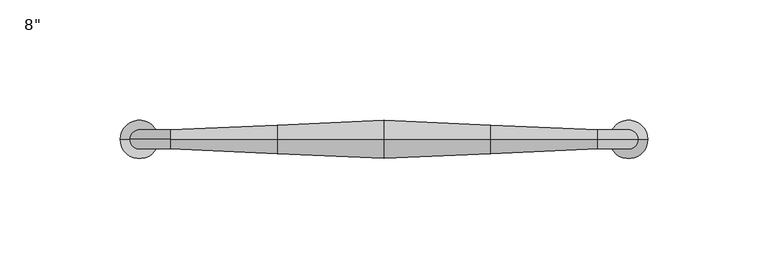
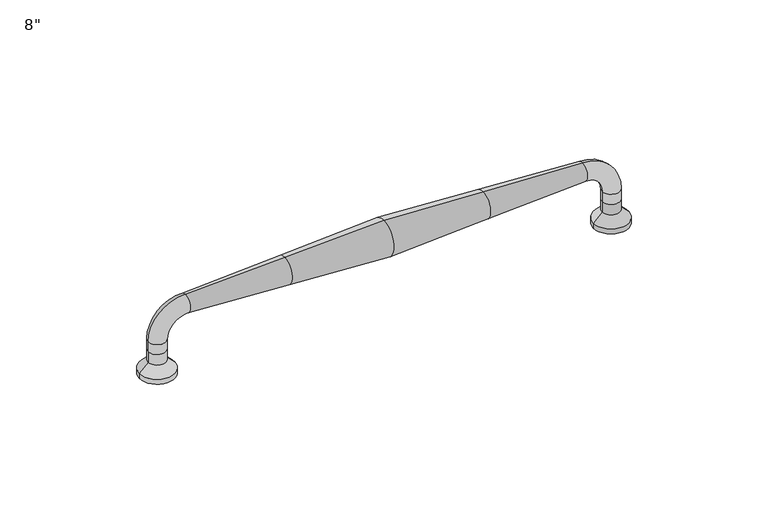
"""IFC4 building model written with IfcOpenShell, lengths in millimetres: proxy geometry."""

from ifc_helpers import new_model, si_unit, point, frame, origin, place, context, project, spatial, polyline, circle_curve, ellipse_curve, trimmed, source, transform, mapped, element, save
from ifc_brep_helpers import plane_surface, cylinder_surface, revolved_surface, advanced_brep


def proxy_a48b643d(model_context):
    return source(origin(), model_context, "Body", "AdvancedBrep", [
        advanced_brep(
        [(97.63125, 0.0, 11.2328295), (97.63125, 0.0, 15.875), (105.56875, 0.0, 15.875), (105.56875, 0.0, 11.2328295), (88.9, 0.0, 24.60625), (88.9, 0.0, 32.54375), (105.56875, 0.0, 6.35), (97.63125, 0.0, 6.35), (109.5375, 0.0, 2.38125), (93.6625, 0.0, 2.38125), (109.5375, 0.0, 0.0), (93.6625, 0.0, 0.0), (101.6, 0.0, 0.0), (-97.63125, 0.0, 6.35), (-105.56875, 0.0, 6.35), (-105.56875, 0.0, 11.2328295), (-97.63125, 0.0, 11.2328295), (-93.6625, 0.0, 2.38125), (-109.5375, 0.0, 2.38125), (-93.6625, 0.0, 0.0), (-109.5375, 0.0, 0.0), (-101.6, 0.0, 0.0), (-97.63125, 0.0, 15.875), (-105.56875, 0.0, 15.875), (-88.9, 0.0, 24.60625), (-88.9, -3.96875, 28.575), (-88.9, 0.0, 32.54375), (-88.9, 3.96875, 28.575), (-44.45, 0.0, 34.528125), (-44.45, 0.0, 22.621875), (44.45, 0.0, 22.621875), (44.45, 0.0, 34.528125), (0.0, 0.0, 20.6375), (0.0, 0.0, 36.5125)],
        [
            (0, 1),
            (1, 2, circle_curve(frame((101.6, 0.0, 15.875), z_axis=(0.0, 0.0, -1.0), x_axis=(-1.0, 0.0, 0.0)), 3.96875)),
            (2, 3),
            (3, 0, circle_curve(frame((101.6, 0.0, 11.2328295), z_axis=(0.0, 0.0, 1.0), x_axis=(-1.0, 0.0, 0.0)), 3.96875)),
            (0, 3, circle_curve(frame((101.6, 0.0, 11.2328295), z_axis=(0.0, 0.0, 1.0), x_axis=(-1.0, 0.0, 0.0)), 3.96875)),
            (2, 1, circle_curve(frame((101.6, 0.0, 15.875), z_axis=(0.0, 0.0, -1.0), x_axis=(-1.0, 0.0, 0.0)), 3.96875)),
            (1, 4, circle_curve(frame((88.9, 0.0, 15.875), z_axis=(0.0, -1.0, 0.0), x_axis=(1.0, 0.0, 0.0)), 8.73125)),
            (4, 5, circle_curve(frame((88.9, 0.0, 28.575), z_axis=(1.0, 0.0, 0.0), x_axis=(0.0, 0.0, -1.0)), 3.96875)),
            (5, 2, circle_curve(frame((88.9, 0.0, 15.875), z_axis=(0.0, 1.0, 0.0), x_axis=(1.0, 0.0, 0.0)), 16.66875)),
            (5, 4, circle_curve(frame((88.9, 0.0, 28.575), z_axis=(1.0, 0.0, 0.0), x_axis=(0.0, 0.0, -1.0)), 3.96875)),
            (3, 6),
            (6, 7, circle_curve(frame((101.6, 0.0, 6.35), z_axis=(0.0, 0.0, 1.0), x_axis=(1.0, 0.0, 0.0)), 3.96875)),
            (7, 0),
            (7, 6, circle_curve(frame((101.6, 0.0, 6.35), z_axis=(0.0, 0.0, 1.0), x_axis=(1.0, 0.0, 0.0)), 3.96875)),
            (6, 8),
            (8, 9, circle_curve(frame((101.6, 0.0, 2.38125), z_axis=(0.0, 0.0, 1.0), x_axis=(1.0, 0.0, 0.0)), 7.9375)),
            (9, 7),
            (9, 8, circle_curve(frame((101.6, 0.0, 2.38125), z_axis=(0.0, 0.0, 1.0), x_axis=(1.0, 0.0, 0.0)), 7.9375)),
            (8, 10),
            (10, 11, circle_curve(frame((101.6, 0.0, 0.0), z_axis=(0.0, 0.0, 1.0), x_axis=(1.0, 0.0, 0.0)), 7.9375)),
            (11, 9),
            (11, 10, circle_curve(frame((101.6, 0.0, 0.0), z_axis=(0.0, 0.0, 1.0), x_axis=(1.0, 0.0, 0.0)), 7.9375)),
            (10, 12),
            (12, 11),
            (13, 14, circle_curve(frame((-101.6, 0.0, 6.35), z_axis=(0.0, 0.0, 1.0), x_axis=(-1.0, 0.0, 0.0)), 3.96875)),
            (14, 15),
            (15, 16, circle_curve(frame((-101.6, 0.0, 11.2328295), z_axis=(0.0, 0.0, -1.0), x_axis=(-1.0, 0.0, 0.0)), 3.96875)),
            (16, 13),
            (14, 13, circle_curve(frame((-101.6, 0.0, 6.35), z_axis=(0.0, 0.0, 1.0), x_axis=(-1.0, 0.0, 0.0)), 3.96875)),
            (16, 15, circle_curve(frame((-101.6, 0.0, 11.2328295), z_axis=(0.0, 0.0, -1.0), x_axis=(-1.0, 0.0, 0.0)), 3.96875)),
            (13, 17),
            (17, 18, circle_curve(frame((-101.6, 0.0, 2.38125), z_axis=(0.0, 0.0, 1.0), x_axis=(-1.0, 0.0, 0.0)), 7.9375)),
            (18, 14),
            (18, 17, circle_curve(frame((-101.6, 0.0, 2.38125), z_axis=(0.0, 0.0, 1.0), x_axis=(-1.0, 0.0, 0.0)), 7.9375)),
            (17, 19),
            (19, 20, circle_curve(frame((-101.6, 0.0, 0.0), z_axis=(0.0, 0.0, 1.0), x_axis=(-1.0, 0.0, 0.0)), 7.9375)),
            (20, 18),
            (20, 19, circle_curve(frame((-101.6, 0.0, 0.0), z_axis=(0.0, 0.0, 1.0), x_axis=(-1.0, 0.0, 0.0)), 7.9375)),
            (19, 21),
            (21, 20),
            (16, 22),
            (22, 23, circle_curve(frame((-101.6, 0.0, 15.875), z_axis=(0.0, 0.0, -1.0), x_axis=(-1.0, 0.0, 0.0)), 3.96875)),
            (23, 15),
            (23, 22, circle_curve(frame((-101.6, 0.0, 15.875), z_axis=(0.0, 0.0, -1.0), x_axis=(-1.0, 0.0, 0.0)), 3.96875)),
            (22, 24, circle_curve(frame((-88.9, 0.0, 15.875), z_axis=(0.0, 1.0, 0.0), x_axis=(-1.0, 0.0, 0.0)), 8.73125)),
            (24, 25, circle_curve(frame((-88.9, 0.0, 28.575), z_axis=(-1.0, 0.0, 0.0), x_axis=(0.0, 0.0, 1.0)), 3.96875)),
            (25, 26, circle_curve(frame((-88.9, 0.0, 28.575), z_axis=(-1.0, 0.0, 0.0), x_axis=(0.0, 0.0, 1.0)), 3.96875)),
            (26, 23, circle_curve(frame((-88.9, 0.0, 15.875), z_axis=(0.0, -1.0, 0.0), x_axis=(-1.0, 0.0, 0.0)), 16.66875)),
            (26, 27, circle_curve(frame((-88.9, 0.0, 28.575), z_axis=(-1.0, 0.0, 0.0), x_axis=(0.0, 0.0, 1.0)), 3.96875)),
            (27, 24, circle_curve(frame((-88.9, 0.0, 28.575), z_axis=(-1.0, 0.0, 0.0), x_axis=(0.0, 0.0, 1.0)), 3.96875)),
            (26, 28, circle_curve(frame((-88.9, 0.0, 531.3759375), z_axis=(0.0, -1.0, 0.0), x_axis=(1.0, 0.0, 0.0)), 498.8321875)),
            (28, 29, circle_curve(frame((-44.45, 0.0, 28.575), z_axis=(-1.0, 0.0, 0.0), x_axis=(0.0, 0.0, 1.0)), 5.953125)),
            (29, 24, circle_curve(frame((-88.9, 0.0, -474.2259375), z_axis=(0.0, -1.0, 0.0), x_axis=(1.0, 0.0, 0.0)), 498.8321875)),
            (29, 28, circle_curve(frame((-44.45, 0.0, 28.575), z_axis=(-1.0, 0.0, 0.0), x_axis=(0.0, 0.0, 1.0)), 5.953125)),
            (30, 31, circle_curve(frame((44.45, 0.0, 28.575), z_axis=(1.0, 0.0, 0.0), x_axis=(0.0, 0.0, 1.0)), 5.953125)),
            (31, 5, circle_curve(frame((88.9, 0.0, 531.3759375), z_axis=(0.0, -1.0, 0.0), x_axis=(1.0, 0.0, 0.0)), 498.8321875)),
            (4, 30, circle_curve(frame((88.9, 0.0, -474.2259375), z_axis=(0.0, -1.0, 0.0), x_axis=(1.0, 0.0, 0.0)), 498.8321875)),
            (31, 30, circle_curve(frame((44.45, 0.0, 28.575), z_axis=(1.0, 0.0, 0.0), x_axis=(0.0, 0.0, 1.0)), 5.953125)),
            (30, 32, circle_curve(frame((0.0, 0.0, 519.4696875), z_axis=(0.0, 1.0, 0.0), x_axis=(1.0, 0.0, 0.0)), 498.8321875)),
            (32, 33, circle_curve(frame((0.0, 0.0, 28.575), z_axis=(1.0, 0.0, 0.0), x_axis=(0.0, 0.0, 1.0)), 7.9375)),
            (33, 31, circle_curve(frame((0.0, 0.0, -462.3196875), z_axis=(0.0, 1.0, 0.0), x_axis=(1.0, 0.0, 0.0)), 498.8321875)),
            (33, 32, circle_curve(frame((0.0, 0.0, 28.575), z_axis=(1.0, 0.0, 0.0), x_axis=(0.0, 0.0, 1.0)), 7.9375)),
            (28, 33, circle_curve(frame((0.0, 0.0, -462.3196875), z_axis=(0.0, 1.0, 0.0), x_axis=(1.0, 0.0, 0.0)), 498.8321875)),
            (32, 29, circle_curve(frame((0.0, 0.0, 519.4696875), z_axis=(0.0, 1.0, 0.0), x_axis=(1.0, 0.0, 0.0)), 498.8321875)),
        ],
        [
            cylinder_surface(frame((101.6, 0.0, 11.2328295), z_axis=(0.0, 0.0, -1.0), x_axis=(-1.0, 0.0, 0.0)), 3.96875),
            revolved_surface(trimmed(ellipse_curve(frame((101.6, 0.0, 15.875), z_axis=(0.0, 0.0, -1.0), x_axis=(-1.0, 0.0, 0.0)), 3.96875, 3.96875), [point((97.63125, 0.0, 15.875))], [point((105.56875, 0.0, 15.875))], True, "CARTESIAN"), (88.9, 0.0, 15.875), (0.0, -1.0, 0.0)),
            revolved_surface(trimmed(ellipse_curve(frame((101.6, 0.0, 15.875), z_axis=(0.0, 0.0, -1.0), x_axis=(-1.0, 0.0, 0.0)), 3.96875, 3.96875), [point((105.56875, 0.0, 15.875))], [point((97.63125, 0.0, 15.875))], True, "CARTESIAN"), (88.9, 0.0, 15.875), (0.0, -1.0, 0.0)),
            cylinder_surface(frame((101.6, 0.0, 0.0), z_axis=(0.0, 0.0, 1.0), x_axis=(1.0, 0.0, 0.0)), 3.96875),
            revolved_surface(polyline([(109.5375, 0.0, 2.38125), (105.56875, 0.0, 6.35)]), (101.6, 0.0, 0.0), (0.0, 0.0, 1.0)),
            cylinder_surface(frame((101.6, 0.0, 0.0), z_axis=(0.0, 0.0, 1.0), x_axis=(1.0, 0.0, 0.0)), 7.9375),
            plane_surface(frame((101.6, 0.0, 0.0), z_axis=(0.0, 0.0, -1.0), x_axis=(1.0, 0.0, 0.0))),
            cylinder_surface(frame((-101.6, 0.0, 0.0), z_axis=(0.0, 0.0, -1.0), x_axis=(-1.0, 0.0, 0.0)), 3.96875),
            revolved_surface(polyline([(-105.56875, 0.0, 6.35), (-109.5375, 0.0, 2.38125)]), (-101.6, 0.0, 0.0), (0.0, 0.0, -1.0)),
            cylinder_surface(frame((-101.6, 0.0, 0.0), z_axis=(0.0, 0.0, -1.0), x_axis=(-1.0, 0.0, 0.0)), 7.9375),
            plane_surface(frame((-101.6, 0.0, 0.0), z_axis=(0.0, 0.0, -1.0), x_axis=(-1.0, 0.0, 0.0))),
            cylinder_surface(frame((-101.6, 0.0, 11.2328295), z_axis=(0.0, 0.0, -1.0), x_axis=(-1.0, 0.0, 0.0)), 3.96875),
            revolved_surface(trimmed(ellipse_curve(frame((-101.6, 0.0, 15.875), z_axis=(0.0, 0.0, -1.0), x_axis=(-1.0, 0.0, 0.0)), 3.96875, 3.96875), [point((-97.63125, 0.0, 15.875))], [point((-105.56875, 0.0, 15.875))], True, "CARTESIAN"), (-88.9, 0.0, 15.875), (0.0, 1.0, 0.0)),
            revolved_surface(trimmed(ellipse_curve(frame((-101.6, 0.0, 15.875), z_axis=(0.0, 0.0, -1.0), x_axis=(-1.0, 0.0, 0.0)), 3.96875, 3.96875), [point((-105.56875, 0.0, 15.875))], [point((-97.63125, 0.0, 15.875))], True, "CARTESIAN"), (-88.9, 0.0, 15.875), (0.0, 1.0, 0.0)),
            revolved_surface(trimmed(ellipse_curve(frame((-88.9, 0.0, 531.3759375), z_axis=(0.0, 1.0, 0.0), x_axis=(1.0, 0.0, 0.0)), 498.8321875, 498.8321875), [point((-44.45, 0.0, 34.528125))], [point((-88.9, 0.0, 32.54375))], True, "CARTESIAN"), (-196.4502099, 0.0, 28.575), (-1.0, 0.0, 0.0)),
            revolved_surface(trimmed(ellipse_curve(frame((88.9, 0.0, 531.3759375), z_axis=(0.0, 1.0, 0.0), x_axis=(1.0, 0.0, 0.0)), 498.8321875, 498.8321875), [point((88.9, 0.0, 32.54375))], [point((44.45, 0.0, 34.528125))], True, "CARTESIAN"), (-196.4502099, 0.0, 28.575), (-1.0, 0.0, 0.0)),
            revolved_surface(trimmed(ellipse_curve(frame((0.0, 0.0, -462.3196875), z_axis=(0.0, -1.0, 0.0), x_axis=(1.0, 0.0, 0.0)), 498.8321875, 498.8321875), [point((44.45, 0.0, 34.528125))], [point((0.0, 0.0, 36.5125))], True, "CARTESIAN"), (-196.4502099, 0.0, 28.575), (-1.0, 0.0, 0.0)),
            revolved_surface(trimmed(ellipse_curve(frame((0.0, 0.0, -462.3196875), z_axis=(0.0, -1.0, 0.0), x_axis=(1.0, 0.0, 0.0)), 498.8321875, 498.8321875), [point((0.0, 0.0, 36.5125))], [point((-44.45, 0.0, 34.528125))], True, "CARTESIAN"), (-196.4502099, 0.0, 28.575), (-1.0, 0.0, 0.0)),
        ],
        [
            (0, [[1, 2, 3, 4]]),
            (0, [[-1, 5, -3, 6]]),
            (1, [[-2, 7, 8, 9]]),
            (2, [[-6, -9, 10, -7]]),
            (3, [[11, 12, 13, -4]]),
            (3, [[-11, -5, -13, 14]]),
            (4, [[-12, 15, 16, 17]]),
            (4, [[-14, -17, 18, -15]]),
            (5, [[-16, 19, 20, 21]]),
            (5, [[-18, -21, 22, -19]]),
            (6, [[-20, 23, 24]]),
            (6, [[-22, -24, -23]]),
            (7, [[25, 26, 27, 28]]),
            (7, [[-26, 29, -28, 30]]),
            (8, [[-25, 31, 32, 33]]),
            (8, [[-29, -33, 34, -31]]),
            (9, [[-32, 35, 36, 37]]),
            (9, [[-34, -37, 38, -35]]),
            (10, [[-36, 39, 40]]),
            (10, [[-38, -40, -39]]),
            (11, [[41, 42, 43, -30]]),
            (11, [[-41, -27, -43, 44]]),
            (12, [[-42, 45, 46, 47, 48]]),
            (13, [[-44, -48, 49, 50, -45]]),
            (14, [[51, 52, 53, -50, -49]]),
            (14, [[-51, -47, -46, -53, 54]]),
            (15, [[55, 56, -8, 57]]),
            (15, [[-56, 58, -57, -10]]),
            (16, [[-55, 59, 60, 61]]),
            (16, [[-58, -61, 62, -59]]),
            (17, [[-52, 63, -60, 64]]),
            (17, [[-54, -64, -62, -63]]),
        ],
    ),
    ])


if __name__ == "__main__":
    model = new_model("IFC4")
    model_context = context("Model", 3, world=origin())
    ifc_project = project(units=[si_unit("LENGTHUNIT", "METRE", prefix="MILLI")], contexts=[model_context])
    site = spatial("IfcSite", under=ifc_project)
    building = spatial("IfcBuilding", under=site)
    placement = place(None, origin())
    proxy_shape = proxy_a48b643d(model_context)
    element("IfcBuildingElementProxy", 1, Name="8\"", ObjectType="8\"", at=placement, inside=building, context=model_context, shape_type="MappedRepresentation", body=[
        mapped(proxy_shape, transform((0.0, 0.0, 0.0), x_axis=(1.0, 0.0, 0.0), y_axis=(0.0, 1.0, 0.0), z_axis=(0.0, 0.0, 1.0))),
    ])
    save(model, "model.ifc")
